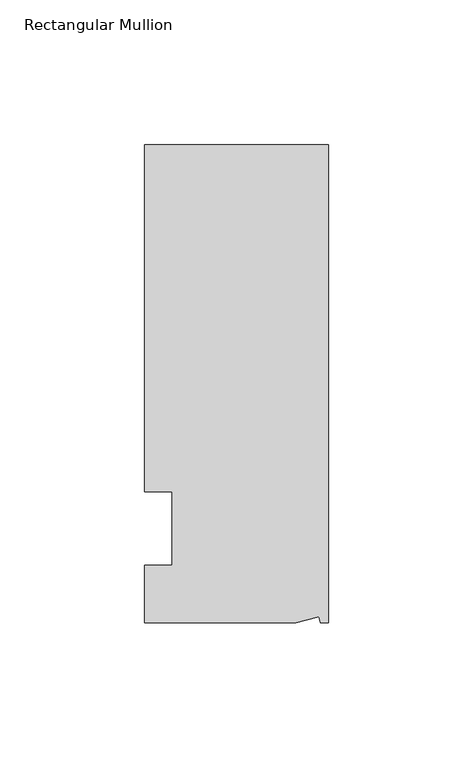
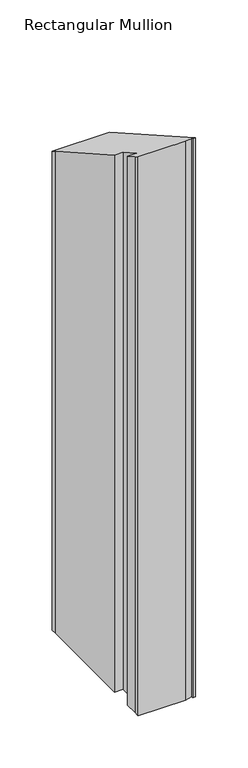
"""IFC4 building model written with IfcOpenShell, lengths in millimetres: member geometry, Rectangular Mullion."""

from ifc_helpers import new_model, si_unit, origin, place, context, project, spatial, faceted_brep, source, transform, mapped, element, save


def rectangular_mullion_cd82c1f1(model_context):
    return source(origin(), model_context, "Body", "Brep", [
        faceted_brep([(0.0, 132.5561012, -635.0), (0.0, -32.5438988, -635.0), (-2.7616541, -32.5438988, -635.0), (-3.3341886, -30.4622958, -635.0), (-11.121847, -32.5438988, -635.0), (-63.5, -32.5438988, -635.0), (-63.5, -26.1938988, -635.0), (-63.5, -12.5945801, -635.0), (-53.975, -12.5945801, -635.0), (-53.975, 12.8054199, -635.0), (-63.5, 12.8054199, -635.0), (-63.5, 126.2061012, -635.0), (-63.5, 132.5561012, -635.0), (-63.5, 132.5561012, -74.9966336), (0.0, 132.5561012, -74.9966336), (-63.5, 12.8054199, -7.244958), (-63.5, 126.2061012, -71.4039765), (-53.975, 12.8054199, -7.244958), (-53.975, -12.5945801, 7.1256706), (-63.5, -12.5945801, 7.1256706), (-63.5, -26.1938988, 14.8197949), (-11.121847, -32.5438988, 18.4124521), (-63.5, -32.5438988, 18.4124521), (-3.3341886, -30.4622958, 17.2347377), (-2.7616541, -32.5438988, 18.4124521), (0.0, -32.5438988, 18.4124521)], [[[0, 1, 2, 3, 4, 5, 6, 7, 8, 9, 10, 11, 12]], [[13, 14, 0, 12]], [[15, 16, 11, 10]], [[17, 15, 10, 9]], [[18, 17, 9, 8]], [[19, 18, 8, 7]], [[20, 19, 7, 6]], [[21, 22, 5, 4]], [[23, 21, 4, 3]], [[24, 23, 3, 2]], [[25, 24, 2, 1]], [[14, 25, 1, 0]], [[14, 13, 16, 15, 17, 18, 19, 20, 22, 21, 23, 24, 25]], [[16, 13, 12, 11]], [[22, 20, 6, 5]]]),
    ])


if __name__ == "__main__":
    model = new_model("IFC4")
    model_context = context("Model", 3, world=origin())
    ifc_project = project(units=[si_unit("LENGTHUNIT", "METRE", prefix="MILLI")], contexts=[model_context])
    site = spatial("IfcSite", under=ifc_project)
    building = spatial("IfcBuilding", under=site)
    placement = place(None, origin())
    rectangular_mullion_shape = rectangular_mullion_cd82c1f1(model_context)
    element("IfcMember", 1, ObjectType="Rectangular Mullion", at=placement, inside=building, context=model_context, shape_type="MappedRepresentation", body=[
        mapped(rectangular_mullion_shape, transform((0.0, 0.0, 0.0), x_axis=(1.0, 0.0, 0.0), y_axis=(0.0, 1.0, 0.0), z_axis=(0.0, 0.0, 1.0))),
    ])
    save(model, "model.ifc")
